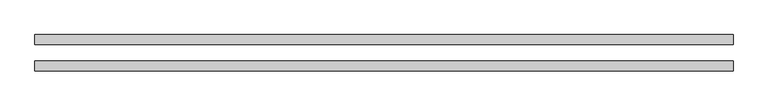
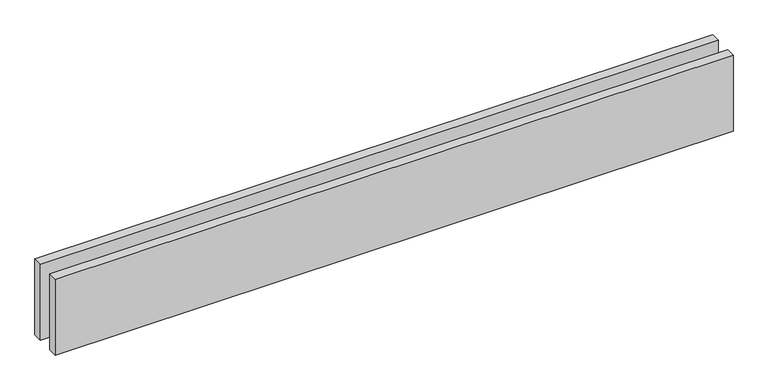
"""IFC4 building model written with IfcOpenShell, lengths in millimetres: proxy geometry."""

from ifc_helpers import new_model, si_unit, origin, origin_with_axes, place, context, project, spatial, polyline, outline, extrude, source, transform, mapped, element, save


def generic_models_4fe1e992(model_context):
    return source(origin(), model_context, "Body", "SweptSolid", [
        extrude(outline(polyline([(2110.0, 25.0), (0.0, 25.0), (0.0, 55.0), (2110.0, 55.0), (2110.0, 25.0)])), origin_with_axes(), (0.0, 0.0, 1.0), 250.0),
        extrude(outline(polyline([(2110.0, -55.0), (0.0, -55.0), (0.0, -25.0), (2110.0, -25.0), (2110.0, -55.0)])), origin_with_axes(), (0.0, 0.0, 1.0), 250.0),
    ])


if __name__ == "__main__":
    model = new_model("IFC4")
    model_context = context("Model", 3, world=origin())
    ifc_project = project(units=[si_unit("LENGTHUNIT", "METRE", prefix="MILLI")], contexts=[model_context])
    site = spatial("IfcSite", under=ifc_project)
    building = spatial("IfcBuilding", under=site)
    placement = place(None, origin())
    generic_models_shape = generic_models_4fe1e992(model_context)
    element("IfcBuildingElementProxy", 1, Name="Generic Models", at=placement, inside=building, context=model_context, shape_type="MappedRepresentation", body=[
        mapped(generic_models_shape, transform((0.0, 0.0, 0.0), x_axis=(1.0, 0.0, 0.0), y_axis=(0.0, 1.0, 0.0), z_axis=(0.0, 0.0, 1.0))),
    ])
    save(model, "model.ifc")
